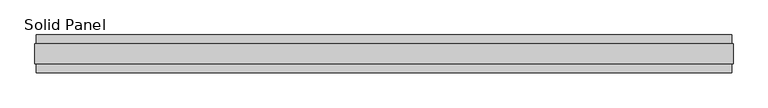
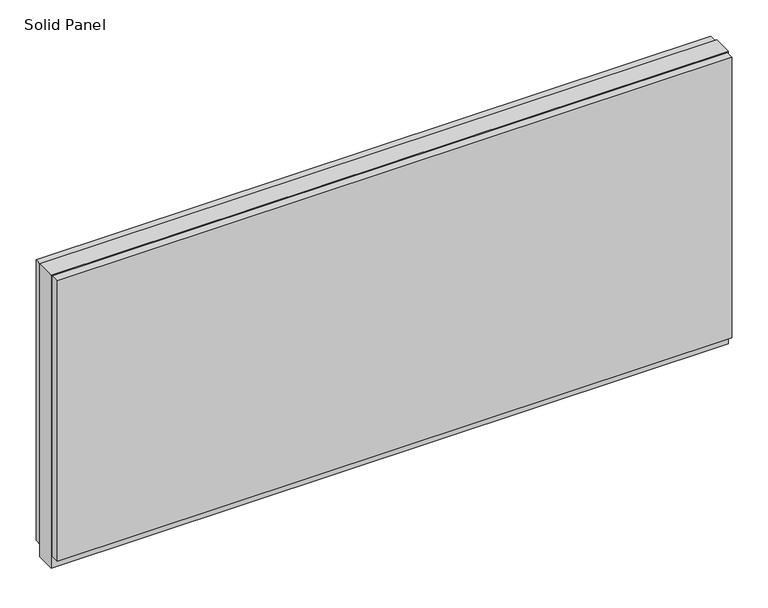
"""IFC4 building model written with IfcOpenShell, lengths in millimetres: plate geometry, Solid Panel."""

from ifc_helpers import new_model, si_unit, frame, origin, origin_with_axes, place, context, project, spatial, polyline, outline, extrude, source, transform, mapped, element, save


def solid_panel_3baaa75e(model_context):
    return source(origin(), model_context, "Body", "SweptSolid", [
        extrude(outline(polyline([(892.4061018, -48.4531867), (-892.4061018, -48.4531867), (-892.4061018, -25.9961), (892.4061018, -25.9961), (892.4061018, -48.4531867)])), frame((0.0, 0.0, 32.004), z_axis=(0.0, 0.0, 1.0), x_axis=(1.0, 0.0, 0.0)), (0.0, 0.0, 1.0), 784.1361),
        extrude(outline(polyline([(892.4061018, 25.9977), (-892.4061018, 25.9977), (-892.4061018, 48.4547867), (892.4061018, 48.4547867), (892.4061018, 25.9977)])), frame((0.0, 0.0, 32.004), z_axis=(0.0, 0.0, 1.0), x_axis=(1.0, 0.0, 0.0)), (0.0, 0.0, 1.0), 784.1361),
        extrude(outline(polyline([(895.4033018, -25.9961), (-895.4033018, -25.9961), (-895.4033018, 25.9977), (895.4033018, 25.9977), (895.4033018, -25.9961)])), origin_with_axes(), (0.0, 0.0, 1.0), 819.15),
    ])


if __name__ == "__main__":
    model = new_model("IFC4")
    model_context = context("Model", 3, world=origin())
    ifc_project = project(units=[si_unit("LENGTHUNIT", "METRE", prefix="MILLI")], contexts=[model_context])
    site = spatial("IfcSite", under=ifc_project)
    building = spatial("IfcBuilding", under=site)
    placement = place(None, origin())
    solid_panel_shape = solid_panel_3baaa75e(model_context)
    element("IfcPlate", 1, ObjectType="Solid Panel", at=placement, inside=building, context=model_context, shape_type="MappedRepresentation", body=[
        mapped(solid_panel_shape, transform((0.0, 0.0, 0.0), x_axis=(1.0, 0.0, 0.0), y_axis=(0.0, 1.0, 0.0), z_axis=(0.0, 0.0, 1.0))),
    ])
    save(model, "model.ifc")
